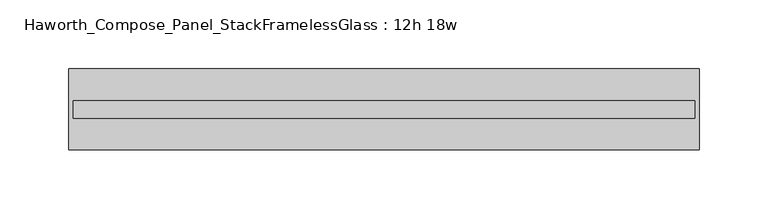
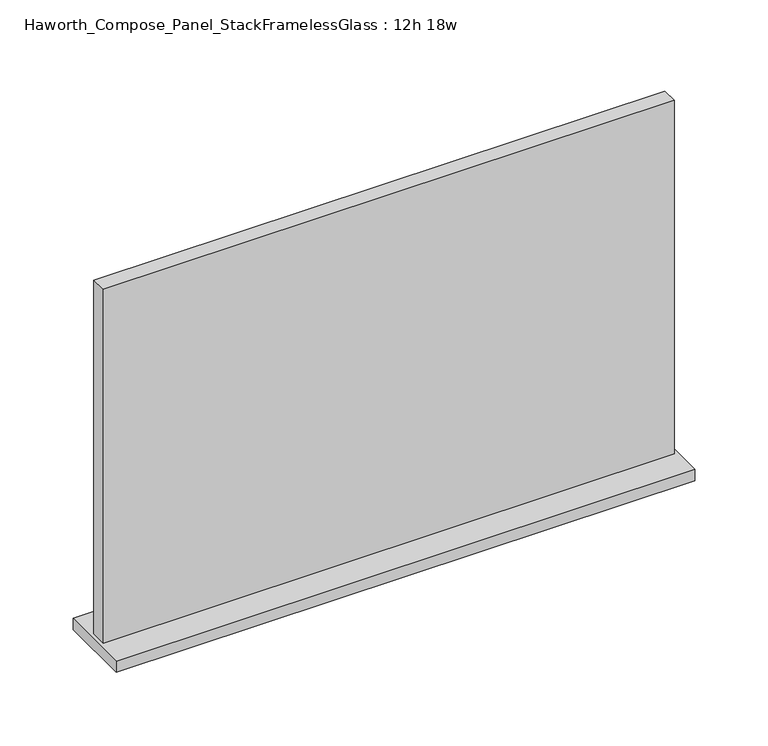
"""IFC4 building model written with IfcOpenShell, lengths in millimetres: furniture geometry, Haworth_Compose_Panel_StackFramelessGlass : 12h 18w."""

from ifc_helpers import new_model, si_unit, frame, origin, place, context, project, spatial, polyline, outline, extrude, source, transform, mapped, element, save


def haworth_compose_panel_stackframelessglass_12h_18w_b3411abe(model_context):
    return source(origin(), model_context, "Body", "SweptSolid", [
        extrude(outline(polyline([(227.8652902, -27.3093594), (-222.9847098, -27.3093594), (-222.9847098, -14.6093594), (227.8652902, -14.6093594), (227.8652902, -27.3093594)])), frame((0.0, 0.0, 1279.525), z_axis=(0.0, 0.0, 1.0), x_axis=(1.0, 0.0, 0.0)), (0.0, 0.0, 1.0), 295.275),
        extrude(outline(polyline([(-226.1597098, -50.3281094), (-226.1597098, 8.4093906), (231.0402902, 8.4093906), (231.0402902, -50.3281094), (-226.1597098, -50.3281094)])), frame((0.0, 0.0, 1270.0), z_axis=(0.0, 0.0, 1.0), x_axis=(1.0, 0.0, 0.0)), (0.0, 0.0, 1.0), 9.525),
    ])


if __name__ == "__main__":
    model = new_model("IFC4")
    model_context = context("Model", 3, world=origin())
    ifc_project = project(units=[si_unit("LENGTHUNIT", "METRE", prefix="MILLI")], contexts=[model_context])
    site = spatial("IfcSite", under=ifc_project)
    building = spatial("IfcBuilding", under=site)
    placement = place(None, origin())
    haworth_compose_panel_stackframelessglass_12h_18w_shape = haworth_compose_panel_stackframelessglass_12h_18w_b3411abe(model_context)
    element("IfcFurniture", 1, ObjectType="Haworth_Compose_Panel_StackFramelessGlass : 12h 18w", at=placement, inside=building, context=model_context, shape_type="MappedRepresentation", body=[
        mapped(haworth_compose_panel_stackframelessglass_12h_18w_shape, transform((0.0, 0.0, 0.0), x_axis=(1.0, 0.0, 0.0), y_axis=(0.0, 1.0, 0.0), z_axis=(0.0, 0.0, 1.0))),
    ])
    save(model, "model.ifc")
